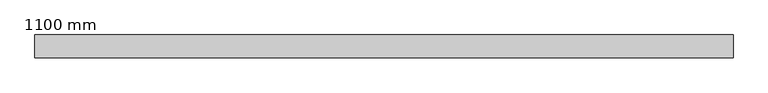
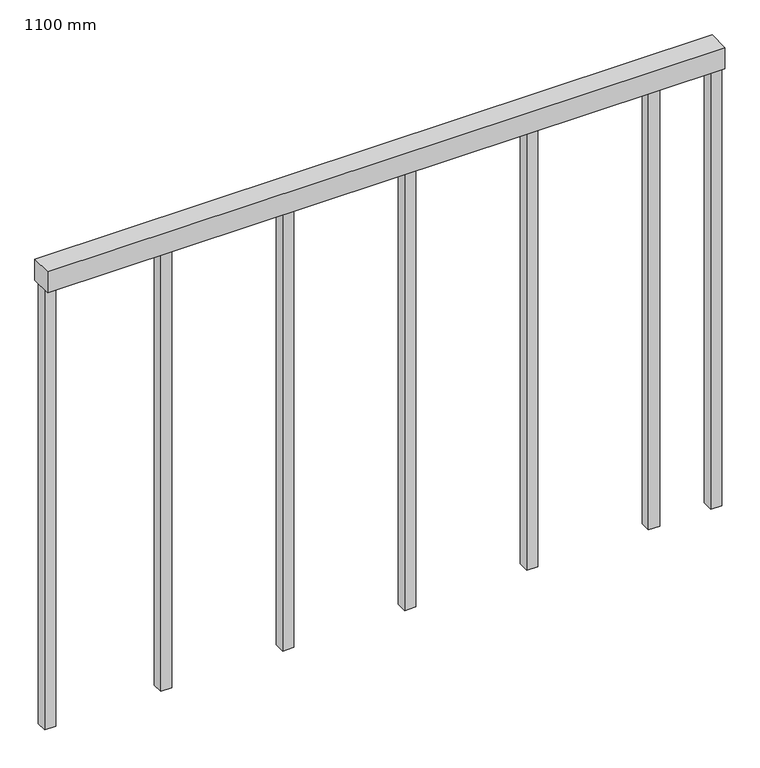
"""IFC4 building model written with IfcOpenShell, lengths in millimetres: railing geometry, 1100 mm."""

from ifc_helpers import new_model, si_unit, frame, origin, place, context, project, spatial, polyline, outline, extrude, source, transform, mapped, element, save


def railing_1100_mm_3ade4fc2(model_context):
    return source(origin(), model_context, "Body", "SweptSolid", [
        extrude(outline(polyline([(-9595.4724667, 3402.4523768), (-9595.4724667, 3452.4523768), (-8067.4724667, 3452.4523768), (-8067.4724667, 3402.4523768), (-9595.4724667, 3402.4523768)])), frame((0.0, 0.0, 9450.0), z_axis=(0.0, 0.0, 1.0), x_axis=(1.0, 0.0, 0.0)), (0.0, 0.0, 1.0), 50.0),
        extrude(outline(polyline([(-8232.9724667, 3414.9523768), (-8232.9724667, 3439.9523768), (-8207.9724667, 3439.9523768), (-8207.9724667, 3414.9523768), (-8232.9724667, 3414.9523768)])), frame((0.0, 0.0, 8400.0), z_axis=(0.0, 0.0, 1.0), x_axis=(1.0, 0.0, 0.0)), (0.0, 0.0, 1.0), 1050.0),
        extrude(outline(polyline([(-8507.9724667, 3414.9523768), (-8507.9724667, 3439.9523768), (-8482.9724667, 3439.9523768), (-8482.9724667, 3414.9523768), (-8507.9724667, 3414.9523768)])), frame((0.0, 0.0, 8400.0), z_axis=(0.0, 0.0, 1.0), x_axis=(1.0, 0.0, 0.0)), (0.0, 0.0, 1.0), 1050.0),
        extrude(outline(polyline([(-8782.9724667, 3414.9523768), (-8782.9724667, 3439.9523768), (-8757.9724667, 3439.9523768), (-8757.9724667, 3414.9523768), (-8782.9724667, 3414.9523768)])), frame((0.0, 0.0, 8400.0), z_axis=(0.0, 0.0, 1.0), x_axis=(1.0, 0.0, 0.0)), (0.0, 0.0, 1.0), 1050.0),
        extrude(outline(polyline([(-9057.9724667, 3414.9523768), (-9057.9724667, 3439.9523768), (-9032.9724667, 3439.9523768), (-9032.9724667, 3414.9523768), (-9057.9724667, 3414.9523768)])), frame((0.0, 0.0, 8400.0), z_axis=(0.0, 0.0, 1.0), x_axis=(1.0, 0.0, 0.0)), (0.0, 0.0, 1.0), 1050.0),
        extrude(outline(polyline([(-9332.9724667, 3414.9523768), (-9332.9724667, 3439.9523768), (-9307.9724667, 3439.9523768), (-9307.9724667, 3414.9523768), (-9332.9724667, 3414.9523768)])), frame((0.0, 0.0, 8400.0), z_axis=(0.0, 0.0, 1.0), x_axis=(1.0, 0.0, 0.0)), (0.0, 0.0, 1.0), 1050.0),
        extrude(outline(polyline([(-8092.4724667, 3414.9523768), (-8092.4724667, 3439.9523768), (-8067.4724667, 3439.9523768), (-8067.4724667, 3414.9523768), (-8092.4724667, 3414.9523768)])), frame((0.0, 0.0, 8400.0), z_axis=(0.0, 0.0, 1.0), x_axis=(1.0, 0.0, 0.0)), (0.0, 0.0, 1.0), 1050.0),
        extrude(outline(polyline([(-9595.4724667, 3414.9523768), (-9595.4724667, 3439.9523768), (-9570.4724667, 3439.9523768), (-9570.4724667, 3414.9523768), (-9595.4724667, 3414.9523768)])), frame((0.0, 0.0, 8400.0), z_axis=(0.0, 0.0, 1.0), x_axis=(1.0, 0.0, 0.0)), (0.0, 0.0, 1.0), 1050.0),
    ])


if __name__ == "__main__":
    model = new_model("IFC4")
    model_context = context("Model", 3, world=origin())
    ifc_project = project(units=[si_unit("LENGTHUNIT", "METRE", prefix="MILLI")], contexts=[model_context])
    site = spatial("IfcSite", under=ifc_project)
    building = spatial("IfcBuilding", under=site)
    placement = place(None, origin())
    railing_1100_mm_shape = railing_1100_mm_3ade4fc2(model_context)
    element("IfcRailing", 1, ObjectType="1100 mm", at=placement, inside=building, context=model_context, shape_type="MappedRepresentation", body=[
        mapped(railing_1100_mm_shape, transform((0.0, 0.0, 0.0), x_axis=(1.0, 0.0, 0.0), y_axis=(0.0, 1.0, 0.0), z_axis=(0.0, 0.0, 1.0))),
    ])
    save(model, "model.ifc")
